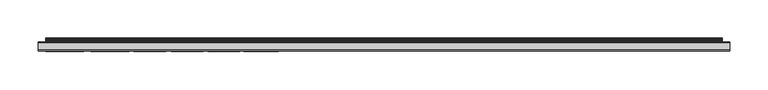
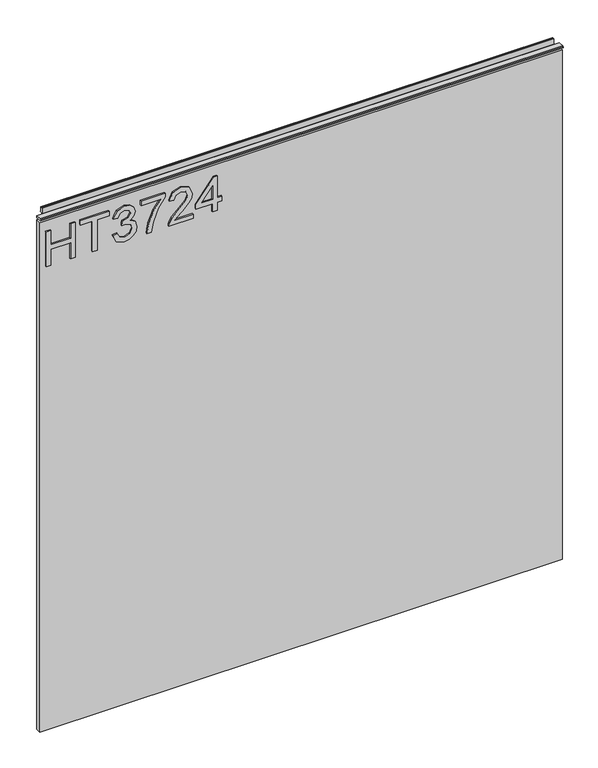
"""IFC4 building model written with IfcOpenShell, lengths in millimetres: furniture geometry."""

from ifc_helpers import new_model, si_unit, frame, origin, place, context, project, spatial, polyline, outline, extrude, source, transform, mapped, element, save


def furniture_3f3b0122(model_context):
    return source(origin(), model_context, "Body", "SweptSolid", [
        extrude(outline(polyline([(951.4078, -288.5795281), (951.4078, -280.6058085), (981.3092486, -280.6058085), (981.3092486, -246.7175001), (951.4078, -246.7175001), (951.4078, -238.7437805), (1015.1975569, -238.7437805), (1015.1975569, -246.7175001), (989.2829682, -246.7175001), (989.2829682, -280.6058085), (1015.1975569, -280.6058085), (1015.1975569, -288.5795281), (951.4078, -288.5795281)])), frame((0.0, -5.6037602, 0.0), z_axis=(0.0, 1.0, 0.0), x_axis=(0.0, 0.0, 1.0)), (0.0, 0.0, 1.0), 2.38125),
        extrude(outline(polyline([(951.4078, -208.8423319), (951.4078, -200.8686123), (1007.2238373, -200.8686123), (1007.2238373, -179.9375983), (1015.1975569, -179.9375983), (1015.1975569, -229.7733459), (1007.2238373, -229.7733459), (1007.2238373, -208.8423319), (951.4078, -208.8423319)])), frame((0.0, -5.6037602, 0.0), z_axis=(0.0, 1.0, 0.0), x_axis=(0.0, 0.0, 1.0)), (0.0, 0.0, 1.0), 2.38125),
        extrude(outline(polyline([(968.3519542, -173.9573086), (955.4102335, -167.6188244), (950.411085, -153.6336678), (951.8750101, -145.1109762), (956.2667854, -138.2001597), (962.7610063, -133.6215004), (970.5322681, -132.0952806), (980.9043331, -135.1477201), (986.355118, -143.8378286), (991.6345925, -137.2968867), (998.9853653, -135.0854254), (1007.0291664, -137.4136893), (1013.0094562, -144.1415152), (1015.1975569, -153.7582571), (1010.7590607, -166.4352254), (998.2534028, -172.9605936), (997.2566878, -164.986874), (1004.7320499, -161.0778826), (1007.2238373, -153.4779311), (1004.7554105, -145.9714216), (998.5181552, -143.0591451), (991.4788558, -147.0771522), (989.2829682, -157.4024962), (981.3092486, -158.2901954), (982.1813742, -152.6992475), (978.91869, -143.6353709), (970.6724312, -140.0690002), (961.920028, -143.6665182), (958.3848047, -153.3533417), (960.9544604, -161.5840269), (969.3486691, -165.983589), (968.3519542, -173.9573086)])), frame((0.0, -5.6037602, 0.0), z_axis=(0.0, 1.0, 0.0), x_axis=(0.0, 0.0, 1.0)), (0.0, 0.0, 1.0), 2.38125),
        extrude(outline(polyline([(1006.2271224, -125.1182759), (1006.2271224, -91.2299675), (989.7268178, -103.283989), (969.3953902, -111.9818843), (951.4078, -115.1511264), (951.4078, -107.1774068), (968.741296, -104.2184093), (990.5989434, -95.1311722), (1007.7533421, -83.2562479), (1014.200842, -83.2562479), (1014.200842, -125.1182759), (1006.2271224, -125.1182759)])), frame((0.0, -5.6037602, 0.0), z_axis=(0.0, 1.0, 0.0), x_axis=(0.0, 0.0, 1.0)), (0.0, 0.0, 1.0), 2.38125),
        extrude(outline(polyline([(959.3815196, -35.4139302), (959.3815196, -66.7325829), (963.4384609, -63.1350648), (971.108494, -53.9621725), (982.0334243, -42.5388848), (989.8514072, -37.8278492), (997.4124245, -36.4106452), (1010.0893928, -41.6667592), (1015.1975569, -55.9400288), (1010.603324, -70.1665773), (997.2566878, -76.2792433), (996.2599729, -68.3055236), (1004.3115608, -64.9493975), (1007.2238373, -56.1113392), (1004.2414793, -47.6314752), (996.9296407, -44.3843648), (987.8969115, -47.8261461), (974.61257, -61.5932714), (965.3695962, -71.5759946), (956.9053059, -76.4194063), (951.4078, -77.2759582), (951.4078, -35.4139302), (959.3815196, -35.4139302)])), frame((0.0, -5.6037602, 0.0), z_axis=(0.0, 1.0, 0.0), x_axis=(0.0, 0.0, 1.0)), (0.0, 0.0, 1.0), 2.38125),
        extrude(outline(polyline([(951.4078, -1.5256218), (951.4078, 6.4480978), (966.3585243, 6.4480978), (966.3585243, 14.4218174), (974.3322439, 14.4218174), (974.3322439, 6.4480978), (1014.200842, 6.4480978), (1014.200842, 0.4678081), (974.3322439, -30.4303555), (966.3585243, -30.4303555), (966.3585243, -1.5256218), (951.4078, -1.5256218)]), holes=[polyline([(974.3322439, -1.5256218), (974.3322439, -20.6189426), (998.9697916, -1.5256218), (974.3322439, -1.5256218)])]), frame((0.0, -5.6037602, 0.0), z_axis=(0.0, 1.0, 0.0), x_axis=(0.0, 0.0, 1.0)), (0.0, 0.0, 1.0), 2.38125),
        extrude(outline(polyline([(5.5562561, 1041.4), (5.5562561, 1038.2249996), (-3.975094, 1038.2249996), (-5.3492339, 1039.0183657), (-5.3492339, 1040.6066395), (-3.9751037, 1041.4), (5.5562561, 1041.4)])), frame((-298.196, 0.0, 0.0), z_axis=(1.0, 0.0, 0.0), x_axis=(0.0, 1.0, 0.0)), (0.0, 0.0, 1.0), 901.192),
        extrude(outline(polyline([(602.996, 6.3500061), (602.996, -3.1749939), (-298.196, -3.1749939), (-298.196, 6.3500061), (602.996, 6.3500061)])), frame((0.0, 0.0, 104.69626), z_axis=(0.0, 0.0, 1.0), x_axis=(1.0, 0.0, 0.0)), (0.0, 0.0, 1.0), 929.26154),
        extrude(outline(polyline([(5.5562561, 1041.4), (6.3500061, 1041.4), (6.3500061, 1051.27425), (7.1437561, 1052.068), (8.6677569, 1052.068), (10.0084363, 1051.6506926), (10.875413, 1050.5461816), (10.9623604, 1049.1447591), (10.2390011, 1046.1863459), (10.4046103, 1044.9833307), (11.6746103, 1042.7836103), (10.7786383, 1042.2663244), (7.1437561, 1042.2663244), (7.1437561, 1041.4), (6.3500061, 1041.1669239), (6.3500061, 1033.9578), (5.5562561, 1033.9578), (5.5562561, 1041.4)])), frame((-288.671, 0.0, 0.0), z_axis=(1.0, 0.0, 0.0), x_axis=(0.0, 1.0, 0.0)), (0.0, 0.0, 1.0), 882.142),
    ])


if __name__ == "__main__":
    model = new_model("IFC4")
    model_context = context("Model", 3, world=origin())
    ifc_project = project(units=[si_unit("LENGTHUNIT", "METRE", prefix="MILLI")], contexts=[model_context])
    site = spatial("IfcSite", under=ifc_project)
    building = spatial("IfcBuilding", under=site)
    placement = place(None, origin())
    furniture_shape = furniture_3f3b0122(model_context)
    element("IfcFurniture", 1, at=placement, inside=building, context=model_context, shape_type="MappedRepresentation", body=[
        mapped(furniture_shape, transform((0.0, 0.0, 0.0), x_axis=(1.0, 0.0, 0.0), y_axis=(0.0, 1.0, 0.0), z_axis=(0.0, 0.0, 1.0))),
    ])
    save(model, "model.ifc")
